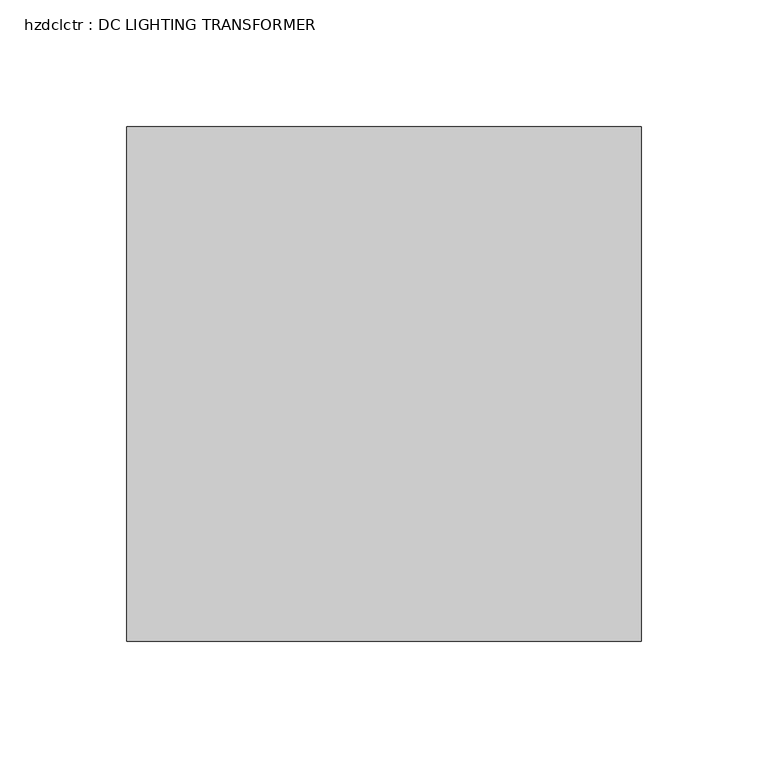
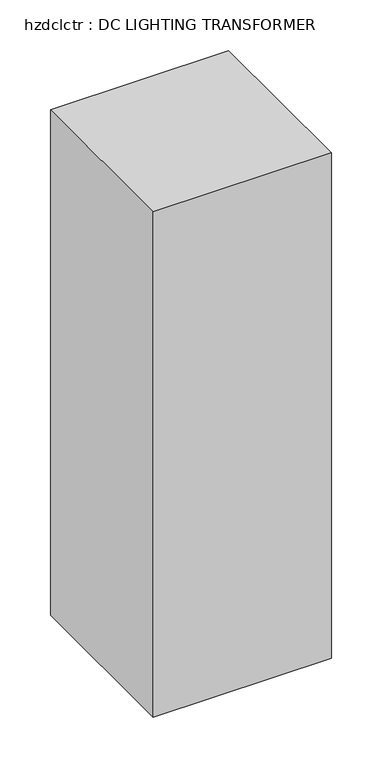
"""IFC4 building model written with IfcOpenShell, lengths in millimetres: proxy geometry, hzdclctr : DC LIGHTING TRANSFORMER."""

from ifc_helpers import new_model, si_unit, origin, origin_with_axes, place, context, project, spatial, polyline, outline, extrude, source, transform, mapped, element, save


def hzdclctr_dc_lighting_transformer_7dc10bf2(model_context):
    return source(origin(), model_context, "Body", "SweptSolid", [
        extrude(outline(polyline([(-74.5036378, 651.4249791), (-74.5036378, 854.6249791), (128.6961082, 854.6249791), (128.6961082, 651.4249791), (-74.5036378, 651.4249791)])), origin_with_axes(), (0.0, 0.0, 1.0), 609.6),
    ])


if __name__ == "__main__":
    model = new_model("IFC4")
    model_context = context("Model", 3, world=origin())
    ifc_project = project(units=[si_unit("LENGTHUNIT", "METRE", prefix="MILLI")], contexts=[model_context])
    site = spatial("IfcSite", under=ifc_project)
    building = spatial("IfcBuilding", under=site)
    placement = place(None, origin())
    hzdclctr_dc_lighting_transformer_shape = hzdclctr_dc_lighting_transformer_7dc10bf2(model_context)
    element("IfcBuildingElementProxy", 1, Name="hzdclctr : DC LIGHTING TRANSFORMER", ObjectType="hzdclctr : DC LIGHTING TRANSFORMER", at=placement, inside=building, context=model_context, shape_type="MappedRepresentation", body=[
        mapped(hzdclctr_dc_lighting_transformer_shape, transform((0.0, 0.0, 0.0), x_axis=(1.0, 0.0, 0.0), y_axis=(0.0, 1.0, 0.0), z_axis=(0.0, 0.0, 1.0))),
    ])
    save(model, "model.ifc")
